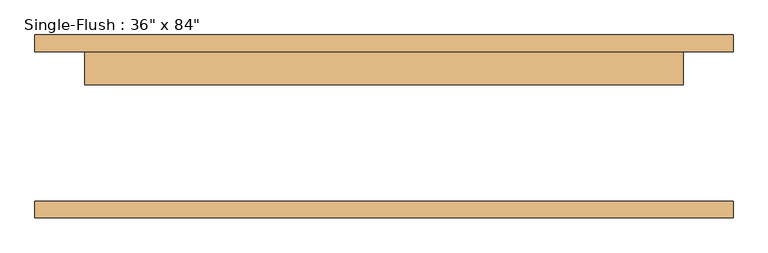
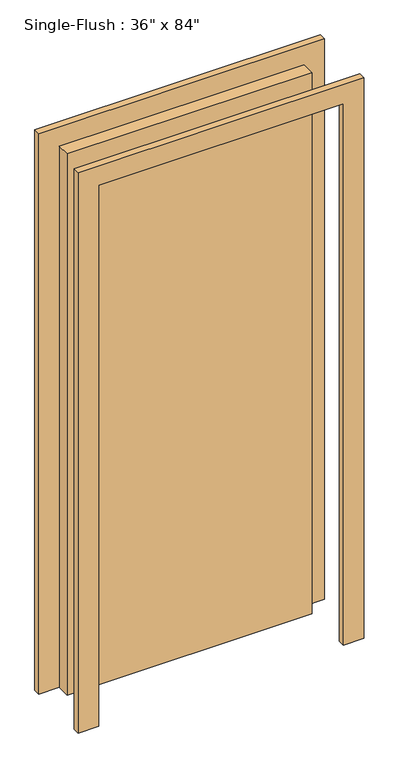
"""IFC4 building model written with IfcOpenShell, lengths in millimetres: door geometry."""

from ifc_helpers import new_model, si_unit, frame, origin, origin_with_axes, place, context, project, spatial, polyline, outline, extrude, source, transform, mapped, element, save


def door_0ca8825f(model_context):
    return source(origin(), model_context, "Body", "SweptSolid", [
        extrude(outline(polyline([(2209.8, -533.4), (0.0, -533.4), (0.0, -457.2), (2133.6, -457.2), (2133.6, 457.2), (0.0, 457.2), (0.0, 533.4), (2209.8, 533.4), (2209.8, -533.4)])), frame((0.0, 114.3, 0.0), z_axis=(0.0, 1.0, 0.0), x_axis=(0.0, 0.0, 1.0)), (0.0, 0.0, 1.0), 25.4),
        extrude(outline(polyline([(2209.8, 533.4), (2209.8, -533.4), (0.0, -533.4), (0.0, -457.2), (2133.6, -457.2), (2133.6, 457.2), (0.0, 457.2), (0.0, 533.4), (2209.8, 533.4)])), frame((0.0, -139.7, 0.0), z_axis=(0.0, 1.0, 0.0), x_axis=(0.0, 0.0, 1.0)), (0.0, 0.0, 1.0), 25.4),
        extrude(outline(polyline([(457.2, 63.5), (-457.2, 63.5), (-457.2, 114.3), (457.2, 114.3), (457.2, 63.5)])), origin_with_axes(), (0.0, 0.0, 1.0), 2133.6),
    ])


if __name__ == "__main__":
    model = new_model("IFC4")
    model_context = context("Model", 3, world=origin())
    ifc_project = project(units=[si_unit("LENGTHUNIT", "METRE", prefix="MILLI")], contexts=[model_context])
    site = spatial("IfcSite", under=ifc_project)
    building = spatial("IfcBuilding", under=site)
    placement = place(None, origin())
    door_shape = door_0ca8825f(model_context)
    element("IfcDoor", 1, ObjectType="Single-Flush : 36\" x 84\"", at=placement, inside=building, context=model_context, shape_type="MappedRepresentation", body=[
        mapped(door_shape, transform((0.0, 0.0, 0.0), x_axis=(1.0, 0.0, 0.0), y_axis=(0.0, 1.0, 0.0), z_axis=(0.0, 0.0, 1.0))),
    ])
    save(model, "model.ifc")
